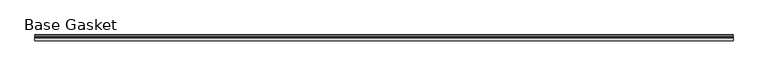
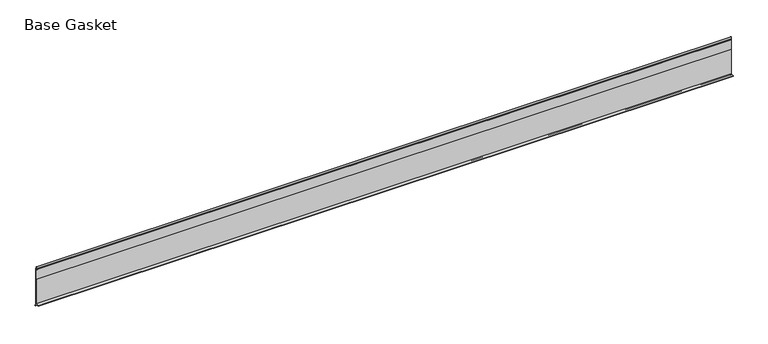
"""IFC4 building model written with IfcOpenShell, lengths in millimetres: furniture geometry, Base Gasket."""

from ifc_helpers import new_model, si_unit, frame, origin, place, context, project, spatial, polyline, outline, extrude, source, transform, mapped, element, save


def base_gasket_010d1073(model_context):
    return source(origin(), model_context, "Body", "SweptSolid", [
        extrude(outline(polyline([(3.7283812, 98.4568417), (3.7283812, 4.3498477), (7.4222115, 0.6560174), (7.8482342, 0.0), (6.8281054, 0.3520979), (2.2043812, 4.3498477), (2.1334222, 6.3818476), (-6.2405171, 6.3818476), (-6.2405171, 7.9398773), (2.2043812, 7.9398773), (2.2043812, 71.4693447), (1.4106313, 71.4693447), (1.4106313, 96.8693477), (2.2043812, 96.8693477), (2.2043812, 98.4568417), (0.6755308, 104.4162708), (0.6755308, 105.2002997), (1.1891543, 104.587663), (3.7283812, 98.4568417)])), frame((-1527.8982117, 0.0, 0.0), z_axis=(1.0, 0.0, 0.0), x_axis=(0.0, 1.0, 0.0)), (0.0, 0.0, 1.0), 1711.910821),
    ])


if __name__ == "__main__":
    model = new_model("IFC4")
    model_context = context("Model", 3, world=origin())
    ifc_project = project(units=[si_unit("LENGTHUNIT", "METRE", prefix="MILLI")], contexts=[model_context])
    site = spatial("IfcSite", under=ifc_project)
    building = spatial("IfcBuilding", under=site)
    placement = place(None, origin())
    base_gasket_shape = base_gasket_010d1073(model_context)
    element("IfcFurniture", 1, ObjectType="Base Gasket", at=placement, inside=building, context=model_context, shape_type="MappedRepresentation", body=[
        mapped(base_gasket_shape, transform((0.0, 0.0, 0.0), x_axis=(1.0, 0.0, 0.0), y_axis=(0.0, 1.0, 0.0), z_axis=(0.0, 0.0, 1.0))),
    ])
    save(model, "model.ifc")
